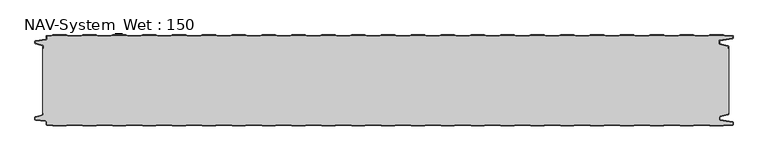
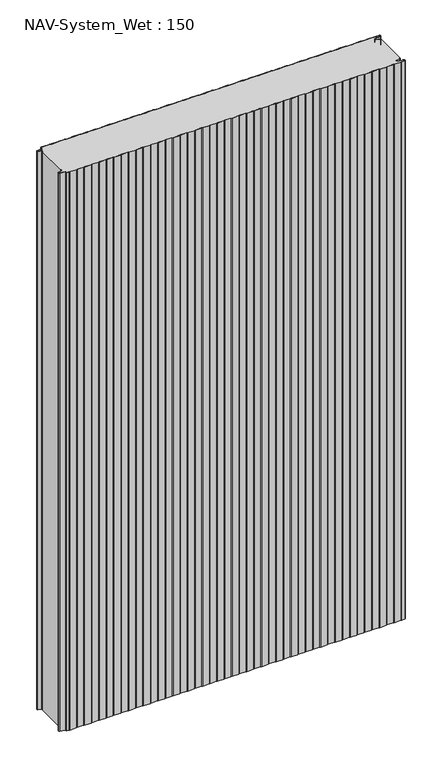
"""IFC4 building model written with IfcOpenShell, lengths in millimetres: plate geometry, NAV-System_Wet : 150."""

import ifcopenshell
import ifcopenshell.guid

model = None  # the IFC model being written
_history = None  # IfcOwnerHistory: only IFC2X3 demands one
_inside = {}  # id of a spatial element -> (the spatial element, [elements in it])
_under = {}  # id of a project, library or spatial element -> (it, [spatial elements below it])
_declared = {}  # id of a project -> (the project, [libraries it declares])
_typed = {}  # id of a type object -> (the type object, [elements of that type])
_made_of = {}  # id of a material, layer set ... -> (it, [elements and type objects made of it])


def new_model(schema):
    """Start an empty IFC model of exactly this schema.

    Asked for "IFC4X3", IfcOpenShell would pick the latest addendum, in which some entities
    have other attributes; the version numbers below select the first issue.
    IFC2X3 requires an IfcOwnerHistory on every rooted entity: one is made here for all.
    """
    global model, _history
    if schema == "IFC4X3":
        model = ifcopenshell.file(schema_version=(4, 3, 0, 0))
    else:
        model = ifcopenshell.file(schema=schema)
    _inside.clear()
    _under.clear()
    _declared.clear()
    _typed.clear()
    _made_of.clear()
    _history = None
    if model.schema == "IFC2X3":
        org = make("IfcOrganization", Name="unknown")
        user = make(
            "IfcPersonAndOrganization",
            ThePerson=make("IfcPerson", FamilyName="unknown"),
            TheOrganization=org,
        )
        app = make(
            "IfcApplication",
            ApplicationDeveloper=org,
            Version="unknown",
            ApplicationFullName="unknown",
            ApplicationIdentifier="unknown",
        )
        _history = make(
            "IfcOwnerHistory",
            OwningUser=user,
            OwningApplication=app,
            ChangeAction="ADDED",
            CreationDate=0,
        )
    return model


def make(cls, **values):
    """One entity of the class cls with the attributes given. An attribute that is None is left unset."""
    return model.create_entity(
        cls, **{name: value for name, value in values.items() if value is not None}
    )


def rooted(cls, **values):
    """An entity with a GlobalId (a new one), such as an element, a storey or a relation."""
    return make(cls, GlobalId=ifcopenshell.guid.new(), OwnerHistory=_history, **values)


def si_unit(unit_type, name, prefix=None):
    """IfcSIUnit, for example si_unit("LENGTHUNIT", "METRE", prefix="MILLI")."""
    return make("IfcSIUnit", UnitType=unit_type, Prefix=prefix, Name=name)


def assignment(units):
    """IfcUnitAssignment: the units of a project."""
    return None if units is None else make("IfcUnitAssignment", Units=units)


def point(xyz):
    """IfcCartesianPoint."""
    return None if xyz is None else make("IfcCartesianPoint", Coordinates=xyz)


def direction(xyz):
    """IfcDirection."""
    return None if xyz is None else make("IfcDirection", DirectionRatios=xyz)


def frame(location, z_axis=None, x_axis=None):
    """IfcAxis2Placement3D, a coordinate frame: its origin and axes. An axis left out is left unset."""
    return make(
        "IfcAxis2Placement3D",
        Location=point(location),
        Axis=direction(z_axis),
        RefDirection=direction(x_axis),
    )


def frame_2d(location, x_axis=None):
    """IfcAxis2Placement2D, a coordinate frame in the plane: its origin and x axis."""
    return make(
        "IfcAxis2Placement2D", Location=point(location), RefDirection=direction(x_axis)
    )


def origin():
    """The frame at (0, 0, 0) with its axes left unset."""
    return frame((0.0, 0.0, 0.0))


def origin_with_axes():
    """The frame at (0, 0, 0) with the z axis (0, 0, 1) and the x axis (1, 0, 0) written out."""
    return frame((0.0, 0.0, 0.0), z_axis=(0.0, 0.0, 1.0), x_axis=(1.0, 0.0, 0.0))


def place(relative_to, where):
    """IfcLocalPlacement: puts the frame where relative to a parent placement (None: the world)."""
    return make(
        "IfcLocalPlacement", PlacementRelTo=relative_to, RelativePlacement=where
    )


def context(
    kind, dimensions, precision=None, world=None, true_north=None, identifier=None
):
    """IfcGeometricRepresentationContext, for example the 3D "Model" context."""
    return make(
        "IfcGeometricRepresentationContext",
        ContextIdentifier=identifier,
        ContextType=kind,
        CoordinateSpaceDimension=dimensions,
        Precision=precision,
        WorldCoordinateSystem=world,
        TrueNorth=true_north,
    )


def project(units=None, contexts=None):
    """IfcProject with its units and contexts."""
    return rooted(
        "IfcProject",
        Name="project",
        RepresentationContexts=contexts,
        UnitsInContext=assignment(units),
    )


def spatial(cls, under=None, at=None, **own):
    """A site, building, storey or space (cls), placed at a placement, below another one or the project."""
    s = rooted(cls, ObjectPlacement=at, **own)
    if under is not None:
        _under.setdefault(under.id(), (under, []))[1].append(s)
    return s


def polyline(points):
    """IfcPolyline through the points."""
    return make("IfcPolyline", Points=[point(p) for p in points])


def circle_curve(where, radius):
    """IfcCircle in the frame where."""
    return make("IfcCircle", Position=where, Radius=radius)


def trimmed(basis, trim1, trim2, sense, master):
    """IfcTrimmedCurve: the piece of a basis curve between two trims."""
    return make(
        "IfcTrimmedCurve",
        BasisCurve=basis,
        Trim1=trim1,
        Trim2=trim2,
        SenseAgreement=sense,
        MasterRepresentation=master,
    )


def segment(curve, same_sense, transition):
    """IfcCompositeCurveSegment."""
    return make(
        "IfcCompositeCurveSegment",
        Transition=transition,
        SameSense=same_sense,
        ParentCurve=curve,
    )


def composite_curve(segments, self_intersect=None):
    """IfcCompositeCurve: segments joined end to end."""
    return make("IfcCompositeCurve", Segments=segments, SelfIntersect=self_intersect)


def outline(outer, holes=None, kind="AREA"):
    """IfcArbitraryClosedProfileDef: a profile drawn as a closed curve; with holes, ...WithVoids."""
    if holes is None:
        return make("IfcArbitraryClosedProfileDef", ProfileType=kind, OuterCurve=outer)
    return make(
        "IfcArbitraryProfileDefWithVoids",
        ProfileType=kind,
        OuterCurve=outer,
        InnerCurves=holes,
    )


def extrude(swept, where, along, depth):
    """IfcExtrudedAreaSolid: the profile swept, set in the frame where, extruded along a direction by depth."""
    return make(
        "IfcExtrudedAreaSolid",
        SweptArea=swept,
        Position=where,
        ExtrudedDirection=direction(along),
        Depth=depth,
    )


def shape(context_of_items, identifier, shape_type, items):
    """IfcShapeRepresentation: the items that make up one representation, for example the "Body"."""
    return make(
        "IfcShapeRepresentation",
        ContextOfItems=context_of_items,
        RepresentationIdentifier=identifier,
        RepresentationType=shape_type,
        Items=items,
    )


def source(mapping_origin, context_of_items, identifier, shape_type, items):
    """IfcRepresentationMap: a shape defined once, which mapped items show again and again."""
    return make(
        "IfcRepresentationMap",
        MappingOrigin=mapping_origin,
        MappedRepresentation=shape(context_of_items, identifier, shape_type, items),
    )


def transform(
    local_origin,
    x_axis=None,
    y_axis=None,
    z_axis=None,
    scale=None,
    scale2=None,
    scale3=None,
    uniform=True,
):
    """IfcCartesianTransformationOperator3D, or its non-uniform kind. x_axis, y_axis, z_axis: its Axis1, 2, 3."""
    if uniform:
        return make(
            "IfcCartesianTransformationOperator3D",
            Axis1=direction(x_axis),
            Axis2=direction(y_axis),
            LocalOrigin=point(local_origin),
            Scale=scale,
            Axis3=direction(z_axis),
        )
    return make(
        "IfcCartesianTransformationOperator3DnonUniform",
        Axis1=direction(x_axis),
        Axis2=direction(y_axis),
        LocalOrigin=point(local_origin),
        Scale=scale,
        Axis3=direction(z_axis),
        Scale2=scale2,
        Scale3=scale3,
    )


def mapped(mapping_source, mapping_target):
    """IfcMappedItem: shows the shape of a source again, moved by a transform."""
    return make(
        "IfcMappedItem", MappingSource=mapping_source, MappingTarget=mapping_target
    )


def made_of(thing, what):
    """Note that an element or type object is made of a material, layer set ...; save() writes the relation."""
    if what is not None:
        _made_of.setdefault(what.id(), (what, []))[1].append(thing)
    return thing


def element(
    cls,
    number,
    at=None,
    inside=None,
    cuts=None,
    type_object=None,
    material=None,
    context=None,
    identifier="Body",
    shape_type=None,
    held_by="IfcProductDefinitionShape",
    body=None,
    shapes=None,
    **own,
):
    """One element of the class cls, such as IfcWall. Its Tag is "e" and its number.

    at: its placement. inside: the storey or other place that contains it. cuts: it is an
    opening in that element (IfcRelVoidsElement). A single representation is given by context,
    identifier, shape_type and body (its items); several are given by shapes. held_by: the class
    of the entity that holds the representations. save() writes the other relations.
    """
    e = rooted(cls, Tag="e%d" % number, ObjectPlacement=at, **own)
    if body is not None:
        shapes = [shape(context, identifier, shape_type, body)]
    if shapes is not None:
        e.Representation = make(held_by, Representations=shapes)
    if inside is not None:
        _inside.setdefault(inside.id(), (inside, []))[1].append(e)
    if cuts is not None:
        rooted(
            "IfcRelVoidsElement", RelatingBuildingElement=cuts, RelatedOpeningElement=e
        )
    if type_object is not None:
        _typed.setdefault(type_object.id(), (type_object, []))[1].append(e)
    return made_of(e, material)


def aggregate(whole, parts):
    """IfcRelAggregates: a whole, such as a stair, and the parts it consists of."""
    return rooted("IfcRelAggregates", RelatingObject=whole, RelatedObjects=parts)


def save(model, path):
    """Write the relations noted so far, then the file.

    IfcRelAggregates (storeys below a building ...), IfcRelContainedInSpatialStructure (elements
    in a storey), IfcRelDefinesByType, IfcRelAssociatesMaterial and IfcRelDeclares: one each for
    every whole, place, type object, material and project.
    """
    for whole, parts in _under.values():
        aggregate(whole, parts)
    for where, things in _inside.values():
        rooted(
            "IfcRelContainedInSpatialStructure",
            RelatedElements=things,
            RelatingStructure=where,
        )
    for kind, things in _typed.values():
        rooted("IfcRelDefinesByType", RelatedObjects=things, RelatingType=kind)
    for what, things in _made_of.values():
        rooted("IfcRelAssociatesMaterial", RelatedObjects=things, RelatingMaterial=what)
    for by, libraries in _declared.values():
        rooted("IfcRelDeclares", RelatingContext=by, RelatedDefinitions=libraries)
    model.write(path)


def nav_system_wet_150_94b7c274(model_context):
    return source(origin(), model_context, "Body", "SweptSolid", [
        extrude(outline(composite_curve([segment(polyline([(430.3684327, -0.8), (427.3684327, 0.2), (405.3684327, 0.2), (402.3684327, -0.8), (380.3684327, -0.8), (377.3684327, 0.2), (355.3684327, 0.2), (352.3684327, -0.8), (330.3684327, -0.8), (327.3684327, 0.2), (305.3684327, 0.2), (302.3684327, -0.8), (280.3684327, -0.8), (277.3684327, 0.2), (255.3684327, 0.2), (252.3684327, -0.8), (230.3684327, -0.8), (227.3684327, 0.2), (205.3684327, 0.2), (202.3684327, -0.8), (180.3684327, -0.8), (177.3684327, 0.2), (155.3684327, 0.2), (152.3684327, -0.8), (130.3684327, -0.8), (127.3684327, 0.2), (105.3684327, 0.2), (102.3684327, -0.8), (80.3684327, -0.8), (77.3684327, 0.2), (55.3684327, 0.2), (52.3684327, -0.8), (30.3684327, -0.8), (27.3684327, 0.2), (5.3684327, 0.2), (2.3684327, -0.8), (-19.6315673, -0.8), (-22.6315673, 0.2), (-44.6315673, 0.2), (-47.6315673, -0.8), (-69.6315673, -0.8), (-72.6315673, 0.2), (-94.6315673, 0.2), (-97.6315673, -0.8), (-119.6315673, -0.8), (-122.6315673, 0.2), (-144.6315673, 0.2), (-147.6315673, -0.8), (-169.6315673, -0.8), (-172.6315673, 0.2), (-194.6315673, 0.2), (-197.6315673, -0.8), (-219.6315673, -0.8), (-222.6315673, 0.2), (-244.6315673, 0.2), (-247.6315673, -0.8), (-269.6315673, -0.8), (-272.6315673, 0.2), (-294.6315673, 0.2), (-297.6315673, -0.8), (-319.6315673, -0.8), (-322.6315673, 0.2), (-344.6315673, 0.2), (-347.6315673, -0.8), (-369.6315673, -0.8), (-372.6315673, 0.2), (-394.6315673, 0.2), (-397.6315673, -0.8), (-419.6315673, -0.8), (-422.6315673, 0.2), (-444.6315673, 0.2), (-447.6315673, -0.8), (-469.6315673, -0.8), (-472.6315673, 0.2), (-494.6315673, 0.2), (-497.6315673, -0.8), (-519.6315673, -0.8), (-522.6315673, 0.2), (-544.6315673, 0.2), (-547.6315673, -0.8), (-554.7, -0.8)]), True, "CONTINUOUS"), segment(trimmed(circle_curve(frame_2d((-554.7, -1.3)), 0.5), [point((-554.7, -0.8))], [point((-555.2, -1.3))], True, "CARTESIAN"), True, "CONTINUOUS"), segment(polyline([(-555.2, -1.3), (-555.2, -5.3964683)]), True, "CONTINUOUS"), segment(trimmed(circle_curve(frame_2d((-556.7, -5.3964683)), 1.5), [point((-555.2, -5.3964683))], [point((-556.4911207, -6.8818536))], False, "CARTESIAN"), True, "CONTINUOUS"), segment(polyline([(-556.4911207, -6.8818536), (-573.4352183, -9.2645825)]), True, "CONTINUOUS"), segment(trimmed(circle_curve(frame_2d((-573.3114909, -10.1444347)), 0.8885091), [point((-573.4352183, -9.2645825))], [point((-574.2, -10.1444347))], True, "CARTESIAN"), True, "CONTINUOUS"), segment(polyline([(-574.2, -10.1444347), (-574.2, -12.46995)]), True, "CONTINUOUS"), segment(trimmed(circle_curve(frame_2d((-573.6, -12.46995)), 0.6), [point((-574.2, -12.46995))], [point((-573.7552914, -13.0495055))], True, "CARTESIAN"), True, "CONTINUOUS"), segment(polyline([(-573.7552914, -13.0495055), (-562.3785632, -16.0978907)]), True, "CONTINUOUS"), segment(trimmed(circle_curve(frame_2d((-562.7667917, -17.5467794)), 1.5), [point((-562.3785632, -16.0978907))], [point((-561.2667917, -17.5467794))], False, "CARTESIAN"), True, "CONTINUOUS"), segment(polyline([(-561.2667917, -17.5467794), (-561.2667917, -21.0096505), (-562.0667917, -21.0096505), (-562.0667917, -17.5467794)]), True, "CONTINUOUS"), segment(trimmed(circle_curve(frame_2d((-562.7667917, -17.5467794)), 0.7), [point((-562.0667917, -17.5467794))], [point((-562.5856184, -16.8706313))], True, "CARTESIAN"), True, "CONTINUOUS"), segment(polyline([(-562.5856184, -16.8706313), (-574.0364648, -13.8023863)]), True, "CONTINUOUS"), segment(trimmed(circle_curve(frame_2d((-573.7, -12.5466827)), 1.3), [point((-574.0364648, -13.8023863))], [point((-575.0, -12.5466827))], False, "CARTESIAN"), True, "CONTINUOUS"), segment(polyline([(-575.0, -12.5466827), (-575.0, -9.8067363)]), True, "CONTINUOUS"), segment(trimmed(circle_curve(frame_2d((-573.7, -9.8067363)), 1.3), [point((-575.0, -9.8067363))], [point((-573.8810287, -8.5194024))], False, "CARTESIAN"), True, "CONTINUOUS"), segment(polyline([(-573.8810287, -8.5194024), (-556.602523, -6.0896481)]), True, "CONTINUOUS"), segment(trimmed(circle_curve(frame_2d((-556.7, -5.3964683)), 0.7), [point((-556.602523, -6.0896481))], [point((-556.0, -5.3964683))], True, "CARTESIAN"), True, "CONTINUOUS"), segment(polyline([(-556.0, -5.3964683), (-556.0, -1.3)]), True, "CONTINUOUS"), segment(trimmed(circle_curve(frame_2d((-554.7, -1.3)), 1.3), [point((-556.0, -1.3))], [point((-554.7, 0.0))], False, "CARTESIAN"), True, "CONTINUOUS"), segment(polyline([(-554.7, 0.0), (-547.7613895, 0.0), (-544.7613895, 1.0), (-522.5017452, 1.0), (-519.5017452, 0.0), (-497.7613895, 0.0), (-494.7613895, 1.0), (-472.5017452, 1.0), (-469.5017452, 0.0), (-447.7613895, 0.0), (-444.7613895, 1.0), (-422.5017452, 1.0), (-419.5017452, 0.0), (-397.7613895, 0.0), (-394.7613895, 1.0), (-372.5017452, 1.0), (-369.5017452, 0.0), (-347.7613895, 0.0), (-344.7613895, 1.0), (-322.5017452, 1.0), (-319.5017452, 0.0), (-297.7613895, 0.0), (-294.7613895, 1.0), (-272.5017452, 1.0), (-269.5017452, 0.0), (-247.7613895, 0.0), (-244.7613895, 1.0), (-222.5017452, 1.0), (-219.5017452, 0.0), (-197.7613895, 0.0), (-194.7613895, 1.0), (-172.5017452, 1.0), (-169.5017452, 0.0), (-147.7613895, 0.0), (-144.7613895, 1.0), (-122.5017452, 1.0), (-119.5017452, 0.0), (-97.7613895, 0.0), (-94.7613895, 1.0), (-72.5017452, 1.0), (-69.5017452, 0.0), (-47.7613895, 0.0), (-44.7613895, 1.0), (-22.5017452, 1.0), (-19.5017452, 0.0), (2.2386105, 0.0), (5.2386105, 1.0), (27.4982548, 1.0), (30.4982548, 0.0), (52.2386105, 0.0), (55.2386105, 1.0), (77.4982548, 1.0), (80.4982548, 0.0), (102.2386105, 0.0), (105.2386105, 1.0), (127.4982548, 1.0), (130.4982548, 0.0), (152.2386105, 0.0), (155.2386105, 1.0), (177.4982548, 1.0), (180.4982548, 0.0), (202.2386105, 0.0), (205.2386105, 1.0), (227.4982548, 1.0), (230.4982548, 0.0), (252.2386105, 0.0), (255.2386105, 1.0), (277.4982548, 1.0), (280.4982548, 0.0), (302.2386105, 0.0), (305.2386105, 1.0), (327.4982548, 1.0), (330.4982548, 0.0), (352.2386105, 0.0), (355.2386105, 1.0), (377.4982548, 1.0), (380.4982548, 0.0), (402.2386105, 0.0), (405.2386105, 1.0), (427.4982548, 1.0), (430.4982548, 0.0), (452.2386105, 0.0), (455.2386105, 1.0), (477.4982548, 1.0), (480.4982548, 0.0), (502.2386105, 0.0), (505.2386105, 1.0), (527.4982548, 1.0), (530.4982548, 0.0), (552.2386105, 0.0), (555.2386105, 1.0), (577.4982548, 1.0), (580.4982548, 0.0), (592.7, 0.0)]), True, "CONTINUOUS"), segment(trimmed(circle_curve(frame_2d((592.7, -1.3)), 1.3), [point((592.7, 0.0))], [point((594.0, -1.3))], False, "CARTESIAN"), True, "CONTINUOUS"), segment(polyline([(594.0, -1.3), (594.0, -4.3700191)]), True, "CONTINUOUS"), segment(trimmed(circle_curve(frame_2d((592.7, -4.3700191)), 1.3), [point((594.0, -4.3700191))], [point((592.8810287, -5.657353))], False, "CARTESIAN"), True, "CONTINUOUS"), segment(polyline([(592.8810287, -5.657353), (572.102523, -8.5792877)]), True, "CONTINUOUS"), segment(trimmed(circle_curve(frame_2d((572.2, -9.2724675)), 0.7), [point((572.102523, -8.5792877))], [point((571.5, -9.2724675))], True, "CARTESIAN"), True, "CONTINUOUS"), segment(polyline([(571.5, -9.2724675), (571.5, -13.0812756)]), True, "CONTINUOUS"), segment(trimmed(circle_curve(frame_2d((572.2, -13.0812756)), 0.7), [point((571.5, -13.0812756))], [point((572.0188267, -13.7574237))], True, "CARTESIAN"), True, "CONTINUOUS"), segment(polyline([(572.0188267, -13.7574237), (585.4205101, -17.3483939)]), True, "CONTINUOUS"), segment(trimmed(circle_curve(frame_2d((585.0840453, -18.6040975)), 1.3), [point((585.4205101, -17.3483939))], [point((586.3840453, -18.6040975))], False, "CARTESIAN"), True, "CONTINUOUS"), segment(polyline([(586.3840453, -18.6040975), (586.3840453, -21.0096505), (585.5840453, -21.0096505), (585.5840453, -18.6808302)]), True, "CONTINUOUS"), segment(trimmed(circle_curve(frame_2d((584.9840453, -18.6808302)), 0.6), [point((585.5840453, -18.6808302))], [point((585.1393367, -18.1012747))], True, "CARTESIAN"), True, "CONTINUOUS"), segment(polyline([(585.1393367, -18.1012747), (571.8117714, -14.5301644)]), True, "CONTINUOUS"), segment(trimmed(circle_curve(frame_2d((572.2, -13.0812756)), 1.5), [point((571.8117714, -14.5301644))], [point((570.7, -13.0812756))], False, "CARTESIAN"), True, "CONTINUOUS"), segment(polyline([(570.7, -13.0812756), (570.7, -9.2724675)]), True, "CONTINUOUS"), segment(trimmed(circle_curve(frame_2d((572.2, -9.2724675)), 1.5), [point((570.7, -9.2724675))], [point((571.9911207, -7.7870822))], False, "CARTESIAN"), True, "CONTINUOUS"), segment(polyline([(571.9911207, -7.7870822), (592.6835517, -4.8772516)]), True, "CONTINUOUS"), segment(trimmed(circle_curve(frame_2d((592.6, -4.2830975)), 0.6), [point((592.6835517, -4.8772516))], [point((593.2, -4.2830975))], True, "CARTESIAN"), True, "CONTINUOUS"), segment(polyline([(593.2, -4.2830975), (593.2, -1.3)]), True, "CONTINUOUS"), segment(trimmed(circle_curve(frame_2d((592.7, -1.3)), 0.5), [point((593.2, -1.3))], [point((592.7, -0.8))], True, "CARTESIAN"), True, "CONTINUOUS"), segment(polyline([(592.7, -0.8), (580.3684327, -0.8), (577.3684327, 0.2), (555.3684327, 0.2), (552.3684327, -0.8), (530.3684327, -0.8), (527.3684327, 0.2), (505.3684327, 0.2), (502.3684327, -0.8), (480.3684327, -0.8), (477.3684327, 0.2), (455.3684327, 0.2), (452.3684327, -0.8), (430.3684327, -0.8)]), True, "CONTINUOUS")], self_intersect=False)), origin_with_axes(), (0.0, 0.0, 1.0), 2000.0),
        extrude(outline(composite_curve([segment(polyline([(430.3684327, -0.8), (452.3684327, -0.8), (455.3684327, 0.2), (477.3684327, 0.2), (480.3684327, -0.8), (502.3684327, -0.8), (505.3684327, 0.2), (527.3684327, 0.2), (530.3684327, -0.8), (552.3684327, -0.8), (555.3684327, 0.2), (577.3684327, 0.2), (580.3684327, -0.8), (592.7, -0.8)]), True, "CONTINUOUS"), segment(trimmed(circle_curve(frame_2d((592.7, -1.3)), 0.5), [point((592.7, -0.8))], [point((593.2, -1.3))], False, "CARTESIAN"), True, "CONTINUOUS"), segment(polyline([(593.2, -1.3), (593.2, -4.2830975)]), True, "CONTINUOUS"), segment(trimmed(circle_curve(frame_2d((592.6, -4.2830975)), 0.6), [point((593.2, -4.2830975))], [point((592.6835517, -4.8772516))], False, "CARTESIAN"), True, "CONTINUOUS"), segment(polyline([(592.6835517, -4.8772516), (571.9911207, -7.7870822)]), True, "CONTINUOUS"), segment(trimmed(circle_curve(frame_2d((572.2, -9.2724675)), 1.5), [point((571.9911207, -7.7870822))], [point((570.7, -9.2724675))], True, "CARTESIAN"), True, "CONTINUOUS"), segment(polyline([(570.7, -9.2724675), (570.7, -13.0812756)]), True, "CONTINUOUS"), segment(trimmed(circle_curve(frame_2d((572.2, -13.0812756)), 1.5), [point((570.7, -13.0812756))], [point((571.8117714, -14.5301644))], True, "CARTESIAN"), True, "CONTINUOUS"), segment(polyline([(571.8117714, -14.5301644), (585.1393367, -18.1012747)]), True, "CONTINUOUS"), segment(trimmed(circle_curve(frame_2d((584.9840453, -18.6808302)), 0.6), [point((585.1393367, -18.1012747))], [point((585.5840453, -18.6808302))], False, "CARTESIAN"), True, "CONTINUOUS"), segment(polyline([(585.5840453, -18.6808302), (585.5840453, -21.0096505), (586.3840453, -21.0096505), (586.3840453, -128.9903495), (585.5840453, -128.9903495), (585.5840453, -131.3191698)]), True, "CONTINUOUS"), segment(trimmed(circle_curve(frame_2d((584.9840453, -131.3191698)), 0.6), [point((585.5840453, -131.3191698))], [point((585.1393367, -131.8987253))], False, "CARTESIAN"), True, "CONTINUOUS"), segment(polyline([(585.1393367, -131.8987253), (571.8117714, -135.4698356)]), True, "CONTINUOUS"), segment(trimmed(circle_curve(frame_2d((572.2, -136.9187244)), 1.5), [point((571.8117714, -135.4698356))], [point((570.7, -136.9187244))], True, "CARTESIAN"), True, "CONTINUOUS"), segment(polyline([(570.7, -136.9187244), (570.7, -140.7275325)]), True, "CONTINUOUS"), segment(trimmed(circle_curve(frame_2d((572.2, -140.7275325)), 1.5), [point((570.7, -140.7275325))], [point((571.9911207, -142.2129178))], True, "CARTESIAN"), True, "CONTINUOUS"), segment(polyline([(571.9911207, -142.2129178), (592.6835517, -145.1227484)]), True, "CONTINUOUS"), segment(trimmed(circle_curve(frame_2d((592.6, -145.7169025)), 0.6), [point((592.6835517, -145.1227484))], [point((593.2, -145.7169025))], False, "CARTESIAN"), True, "CONTINUOUS"), segment(polyline([(593.2, -145.7169025), (593.2, -148.7)]), True, "CONTINUOUS"), segment(trimmed(circle_curve(frame_2d((592.7, -148.7)), 0.5), [point((593.2, -148.7))], [point((592.7, -149.2))], False, "CARTESIAN"), True, "CONTINUOUS"), segment(polyline([(592.7, -149.2), (580.3684327, -149.2), (577.3684327, -150.2), (555.3684327, -150.2), (552.3684327, -149.2), (530.3684327, -149.2), (527.3684327, -150.2), (505.3684327, -150.2), (502.3684327, -149.2), (480.3684327, -149.2), (477.3684327, -150.2), (455.3684327, -150.2), (452.3684327, -149.2), (430.3684327, -149.2), (427.3684327, -150.2), (405.3684327, -150.2), (402.3684327, -149.2), (380.3684327, -149.2), (377.3684327, -150.2), (355.3684327, -150.2), (352.3684327, -149.2), (330.3684327, -149.2), (327.3684327, -150.2), (305.3684327, -150.2), (302.3684327, -149.2), (280.3684327, -149.2), (277.3684327, -150.2), (255.3684327, -150.2), (252.3684327, -149.2), (230.3684327, -149.2), (227.3684327, -150.2), (205.3684327, -150.2), (202.3684327, -149.2), (180.3684327, -149.2), (177.3684327, -150.2), (155.3684327, -150.2), (152.3684327, -149.2), (130.3684327, -149.2), (127.3684327, -150.2), (105.3684327, -150.2), (102.3684327, -149.2), (80.3684327, -149.2), (77.3684327, -150.2), (55.3684327, -150.2), (52.3684327, -149.2), (30.3684327, -149.2), (27.3684327, -150.2), (5.3684327, -150.2), (2.3684327, -149.2), (-19.6315673, -149.2), (-22.6315673, -150.2), (-44.6315673, -150.2), (-47.6315673, -149.2), (-69.6315673, -149.2), (-72.6315673, -150.2), (-94.6315673, -150.2), (-97.6315673, -149.2), (-119.6315673, -149.2), (-122.6315673, -150.2), (-144.6315673, -150.2), (-147.6315673, -149.2), (-169.6315673, -149.2), (-172.6315673, -150.2), (-194.6315673, -150.2), (-197.6315673, -149.2), (-219.6315673, -149.2), (-222.6315673, -150.2), (-244.6315673, -150.2), (-247.6315673, -149.2), (-269.6315673, -149.2), (-272.6315673, -150.2), (-294.6315673, -150.2), (-297.6315673, -149.2), (-319.6315673, -149.2), (-322.6315673, -150.2), (-344.6315673, -150.2), (-347.6315673, -149.2), (-369.6315673, -149.2), (-372.6315673, -150.2), (-394.6315673, -150.2), (-397.6315673, -149.2), (-419.6315673, -149.2), (-422.6315673, -150.2), (-444.6315673, -150.2), (-447.6315673, -149.2), (-469.6315673, -149.2), (-472.6315673, -150.2), (-494.6315673, -150.2), (-497.6315673, -149.2), (-519.6315673, -149.2), (-522.6315673, -150.2), (-544.6315673, -150.2), (-547.6315673, -149.2), (-554.7, -149.2)]), True, "CONTINUOUS"), segment(trimmed(circle_curve(frame_2d((-554.7, -148.7)), 0.5), [point((-554.7, -149.2))], [point((-555.2, -148.7))], False, "CARTESIAN"), True, "CONTINUOUS"), segment(polyline([(-555.2, -148.7), (-555.2, -144.6035317)]), True, "CONTINUOUS"), segment(trimmed(circle_curve(frame_2d((-556.7, -144.6035317)), 1.5), [point((-555.2, -144.6035317))], [point((-556.4911207, -143.1181464))], True, "CARTESIAN"), True, "CONTINUOUS"), segment(polyline([(-556.4911207, -143.1181464), (-573.4352183, -140.7354175)]), True, "CONTINUOUS"), segment(trimmed(circle_curve(frame_2d((-573.3114909, -139.8555653)), 0.8885091), [point((-573.4352183, -140.7354175))], [point((-574.2, -139.8555653))], False, "CARTESIAN"), True, "CONTINUOUS"), segment(polyline([(-574.2, -139.8555653), (-574.2, -137.53005)]), True, "CONTINUOUS"), segment(trimmed(circle_curve(frame_2d((-573.6, -137.53005)), 0.6), [point((-574.2, -137.53005))], [point((-573.7552914, -136.9504945))], False, "CARTESIAN"), True, "CONTINUOUS"), segment(polyline([(-573.7552914, -136.9504945), (-562.3785632, -133.9021093)]), True, "CONTINUOUS"), segment(trimmed(circle_curve(frame_2d((-562.7667917, -132.4532206)), 1.5), [point((-562.3785632, -133.9021093))], [point((-561.2667917, -132.4532206))], True, "CARTESIAN"), True, "CONTINUOUS"), segment(polyline([(-561.2667917, -132.4532206), (-561.2667917, -128.9903495), (-562.0667917, -128.9903495), (-562.0667917, -21.0096505), (-561.2667917, -21.0096505), (-561.2667917, -17.5467794)]), True, "CONTINUOUS"), segment(trimmed(circle_curve(frame_2d((-562.7667917, -17.5467794)), 1.5), [point((-561.2667917, -17.5467794))], [point((-562.3785632, -16.0978907))], True, "CARTESIAN"), True, "CONTINUOUS"), segment(polyline([(-562.3785632, -16.0978907), (-573.7552914, -13.0495055)]), True, "CONTINUOUS"), segment(trimmed(circle_curve(frame_2d((-573.6, -12.46995)), 0.6), [point((-573.7552914, -13.0495055))], [point((-574.2, -12.46995))], False, "CARTESIAN"), True, "CONTINUOUS"), segment(polyline([(-574.2, -12.46995), (-574.2, -10.1444347)]), True, "CONTINUOUS"), segment(trimmed(circle_curve(frame_2d((-573.3114909, -10.1444347)), 0.8885091), [point((-574.2, -10.1444347))], [point((-573.4352183, -9.2645825))], False, "CARTESIAN"), True, "CONTINUOUS"), segment(polyline([(-573.4352183, -9.2645825), (-556.4911207, -6.8818536)]), True, "CONTINUOUS"), segment(trimmed(circle_curve(frame_2d((-556.7, -5.3964683)), 1.5), [point((-556.4911207, -6.8818536))], [point((-555.2, -5.3964683))], True, "CARTESIAN"), True, "CONTINUOUS"), segment(polyline([(-555.2, -5.3964683), (-555.2, -1.3)]), True, "CONTINUOUS"), segment(trimmed(circle_curve(frame_2d((-554.7, -1.3)), 0.5), [point((-555.2, -1.3))], [point((-554.7, -0.8))], False, "CARTESIAN"), True, "CONTINUOUS"), segment(polyline([(-554.7, -0.8), (-547.6315673, -0.8), (-544.6315673, 0.2), (-522.6315673, 0.2), (-519.6315673, -0.8), (-497.6315673, -0.8), (-494.6315673, 0.2), (-472.6315673, 0.2), (-469.6315673, -0.8), (-447.6315673, -0.8), (-444.6315673, 0.2), (-422.6315673, 0.2), (-419.6315673, -0.8), (-397.6315673, -0.8), (-394.6315673, 0.2), (-372.6315673, 0.2), (-369.6315673, -0.8), (-347.6315673, -0.8), (-344.6315673, 0.2), (-322.6315673, 0.2), (-319.6315673, -0.8), (-297.6315673, -0.8), (-294.6315673, 0.2), (-272.6315673, 0.2), (-269.6315673, -0.8), (-247.6315673, -0.8), (-244.6315673, 0.2), (-222.6315673, 0.2), (-219.6315673, -0.8), (-197.6315673, -0.8), (-194.6315673, 0.2), (-172.6315673, 0.2), (-169.6315673, -0.8), (-147.6315673, -0.8), (-144.6315673, 0.2), (-122.6315673, 0.2), (-119.6315673, -0.8), (-97.6315673, -0.8), (-94.6315673, 0.2), (-72.6315673, 0.2), (-69.6315673, -0.8), (-47.6315673, -0.8), (-44.6315673, 0.2), (-22.6315673, 0.2), (-19.6315673, -0.8), (2.3684327, -0.8), (5.3684327, 0.2), (27.3684327, 0.2), (30.3684327, -0.8), (52.3684327, -0.8), (55.3684327, 0.2), (77.3684327, 0.2), (80.3684327, -0.8), (102.3684327, -0.8), (105.3684327, 0.2), (127.3684327, 0.2), (130.3684327, -0.8), (152.3684327, -0.8), (155.3684327, 0.2), (177.3684327, 0.2), (180.3684327, -0.8), (202.3684327, -0.8), (205.3684327, 0.2), (227.3684327, 0.2), (230.3684327, -0.8), (252.3684327, -0.8), (255.3684327, 0.2), (277.3684327, 0.2), (280.3684327, -0.8), (302.3684327, -0.8), (305.3684327, 0.2), (327.3684327, 0.2), (330.3684327, -0.8), (352.3684327, -0.8), (355.3684327, 0.2), (377.3684327, 0.2), (380.3684327, -0.8), (402.3684327, -0.8), (405.3684327, 0.2), (427.3684327, 0.2), (430.3684327, -0.8)]), True, "CONTINUOUS")], self_intersect=False)), origin_with_axes(), (0.0, 0.0, 1.0), 2000.0),
        extrude(outline(composite_curve([segment(polyline([(430.3684327, -149.2), (452.3684327, -149.2), (455.3684327, -150.2), (477.3684327, -150.2), (480.3684327, -149.2), (502.3684327, -149.2), (505.3684327, -150.2), (527.3684327, -150.2), (530.3684327, -149.2), (552.3684327, -149.2), (555.3684327, -150.2), (577.3684327, -150.2), (580.3684327, -149.2), (592.7, -149.2)]), True, "CONTINUOUS"), segment(trimmed(circle_curve(frame_2d((592.7, -148.7)), 0.5), [point((592.7, -149.2))], [point((593.2, -148.7))], True, "CARTESIAN"), True, "CONTINUOUS"), segment(polyline([(593.2, -148.7), (593.2, -145.7169025)]), True, "CONTINUOUS"), segment(trimmed(circle_curve(frame_2d((592.6, -145.7169025)), 0.6), [point((593.2, -145.7169025))], [point((592.6835517, -145.1227484))], True, "CARTESIAN"), True, "CONTINUOUS"), segment(polyline([(592.6835517, -145.1227484), (571.9911207, -142.2129178)]), True, "CONTINUOUS"), segment(trimmed(circle_curve(frame_2d((572.2, -140.7275325)), 1.5), [point((571.9911207, -142.2129178))], [point((570.7, -140.7275325))], False, "CARTESIAN"), True, "CONTINUOUS"), segment(polyline([(570.7, -140.7275325), (570.7, -136.9187244)]), True, "CONTINUOUS"), segment(trimmed(circle_curve(frame_2d((572.2, -136.9187244)), 1.5), [point((570.7, -136.9187244))], [point((571.8117714, -135.4698356))], False, "CARTESIAN"), True, "CONTINUOUS"), segment(polyline([(571.8117714, -135.4698356), (585.1393367, -131.8987253)]), True, "CONTINUOUS"), segment(trimmed(circle_curve(frame_2d((584.9840453, -131.3191698)), 0.6), [point((585.1393367, -131.8987253))], [point((585.5840453, -131.3191698))], True, "CARTESIAN"), True, "CONTINUOUS"), segment(polyline([(585.5840453, -131.3191698), (585.5840453, -128.9903495), (586.3840453, -128.9903495), (586.3840453, -131.3959025)]), True, "CONTINUOUS"), segment(trimmed(circle_curve(frame_2d((585.0840453, -131.3959025)), 1.3), [point((586.3840453, -131.3959025))], [point((585.4205101, -132.6516061))], False, "CARTESIAN"), True, "CONTINUOUS"), segment(polyline([(585.4205101, -132.6516061), (572.0188267, -136.2425763)]), True, "CONTINUOUS"), segment(trimmed(circle_curve(frame_2d((572.2, -136.9187244)), 0.7), [point((572.0188267, -136.2425763))], [point((571.5, -136.9187244))], True, "CARTESIAN"), True, "CONTINUOUS"), segment(polyline([(571.5, -136.9187244), (571.5, -140.7275325)]), True, "CONTINUOUS"), segment(trimmed(circle_curve(frame_2d((572.2, -140.7275325)), 0.7), [point((571.5, -140.7275325))], [point((572.102523, -141.4207123))], True, "CARTESIAN"), True, "CONTINUOUS"), segment(polyline([(572.102523, -141.4207123), (592.8810287, -144.342647)]), True, "CONTINUOUS"), segment(trimmed(circle_curve(frame_2d((592.7, -145.6299809)), 1.3), [point((592.8810287, -144.342647))], [point((594.0, -145.6299809))], False, "CARTESIAN"), True, "CONTINUOUS"), segment(polyline([(594.0, -145.6299809), (594.0, -148.7)]), True, "CONTINUOUS"), segment(trimmed(circle_curve(frame_2d((592.7, -148.7)), 1.3), [point((594.0, -148.7))], [point((592.7, -150.0))], False, "CARTESIAN"), True, "CONTINUOUS"), segment(polyline([(592.7, -150.0), (580.4982548, -150.0), (577.4982548, -151.0), (555.2386105, -151.0), (552.2386105, -150.0), (530.4982548, -150.0), (527.4982548, -151.0), (505.2386105, -151.0), (502.2386105, -150.0), (480.4982548, -150.0), (477.4982548, -151.0), (455.2386105, -151.0), (452.2386105, -150.0), (430.4982548, -150.0), (427.4982548, -151.0), (405.2386105, -151.0), (402.2386105, -150.0), (380.4982548, -150.0), (377.4982548, -151.0), (355.2386105, -151.0), (352.2386105, -150.0), (330.4982548, -150.0), (327.4982548, -151.0), (305.2386105, -151.0), (302.2386105, -150.0), (280.4982548, -150.0), (277.4982548, -151.0), (255.2386105, -151.0), (252.2386105, -150.0), (230.4982548, -150.0), (227.4982548, -151.0), (205.2386105, -151.0), (202.2386105, -150.0), (180.4982548, -150.0), (177.4982548, -151.0), (155.2386105, -151.0), (152.2386105, -150.0), (130.4982548, -150.0), (127.4982548, -151.0), (105.2386105, -151.0), (102.2386105, -150.0), (80.4982548, -150.0), (77.4982548, -151.0), (55.2386105, -151.0), (52.2386105, -150.0), (30.4982548, -150.0), (27.4982548, -151.0), (5.2386105, -151.0), (2.2386105, -150.0), (-19.5017452, -150.0), (-22.5017452, -151.0), (-44.7613895, -151.0), (-47.7613895, -150.0), (-69.5017452, -150.0), (-72.5017452, -151.0), (-94.7613895, -151.0), (-97.7613895, -150.0), (-119.5017452, -150.0), (-122.5017452, -151.0), (-144.7613895, -151.0), (-147.7613895, -150.0), (-169.5017452, -150.0), (-172.5017452, -151.0), (-194.7613895, -151.0), (-197.7613895, -150.0), (-219.5017452, -150.0), (-222.5017452, -151.0), (-244.7613895, -151.0), (-247.7613895, -150.0), (-269.5017452, -150.0), (-272.5017452, -151.0), (-294.7613895, -151.0), (-297.7613895, -150.0), (-319.5017452, -150.0), (-322.5017452, -151.0), (-344.7613895, -151.0), (-347.7613895, -150.0), (-369.5017452, -150.0), (-372.5017452, -151.0), (-394.7613895, -151.0), (-397.7613895, -150.0), (-419.5017452, -150.0), (-422.5017452, -151.0), (-444.7613895, -151.0), (-447.7613895, -150.0), (-469.5017452, -150.0), (-472.5017452, -151.0), (-494.7613895, -151.0), (-497.7613895, -150.0), (-519.5017452, -150.0), (-522.5017452, -151.0), (-544.7613895, -151.0), (-547.7613895, -150.0), (-554.7, -150.0)]), True, "CONTINUOUS"), segment(trimmed(circle_curve(frame_2d((-554.7, -148.7)), 1.3), [point((-554.7, -150.0))], [point((-556.0, -148.7))], False, "CARTESIAN"), True, "CONTINUOUS"), segment(polyline([(-556.0, -148.7), (-556.0, -144.6035317)]), True, "CONTINUOUS"), segment(trimmed(circle_curve(frame_2d((-556.7, -144.6035317)), 0.7), [point((-556.0, -144.6035317))], [point((-556.602523, -143.9103519))], True, "CARTESIAN"), True, "CONTINUOUS"), segment(polyline([(-556.602523, -143.9103519), (-573.8810287, -141.4805976)]), True, "CONTINUOUS"), segment(trimmed(circle_curve(frame_2d((-573.7, -140.1932637)), 1.3), [point((-573.8810287, -141.4805976))], [point((-575.0, -140.1932637))], False, "CARTESIAN"), True, "CONTINUOUS"), segment(polyline([(-575.0, -140.1932637), (-575.0, -137.4533173)]), True, "CONTINUOUS"), segment(trimmed(circle_curve(frame_2d((-573.7, -137.4533173)), 1.3), [point((-575.0, -137.4533173))], [point((-574.0364648, -136.1976137))], False, "CARTESIAN"), True, "CONTINUOUS"), segment(polyline([(-574.0364648, -136.1976137), (-562.5856184, -133.1293687)]), True, "CONTINUOUS"), segment(trimmed(circle_curve(frame_2d((-562.7667917, -132.4532206)), 0.7), [point((-562.5856184, -133.1293687))], [point((-562.0667917, -132.4532206))], True, "CARTESIAN"), True, "CONTINUOUS"), segment(polyline([(-562.0667917, -132.4532206), (-562.0667917, -128.9903495), (-561.2667917, -128.9903495), (-561.2667917, -132.4532206)]), True, "CONTINUOUS"), segment(trimmed(circle_curve(frame_2d((-562.7667917, -132.4532206)), 1.5), [point((-561.2667917, -132.4532206))], [point((-562.3785632, -133.9021093))], False, "CARTESIAN"), True, "CONTINUOUS"), segment(polyline([(-562.3785632, -133.9021093), (-573.7552914, -136.9504945)]), True, "CONTINUOUS"), segment(trimmed(circle_curve(frame_2d((-573.6, -137.53005)), 0.6), [point((-573.7552914, -136.9504945))], [point((-574.2, -137.53005))], True, "CARTESIAN"), True, "CONTINUOUS"), segment(polyline([(-574.2, -137.53005), (-574.2, -139.8555653)]), True, "CONTINUOUS"), segment(trimmed(circle_curve(frame_2d((-573.3114909, -139.8555653)), 0.8885091), [point((-574.2, -139.8555653))], [point((-573.4352183, -140.7354175))], True, "CARTESIAN"), True, "CONTINUOUS"), segment(polyline([(-573.4352183, -140.7354175), (-556.4911207, -143.1181464)]), True, "CONTINUOUS"), segment(trimmed(circle_curve(frame_2d((-556.7, -144.6035317)), 1.5), [point((-556.4911207, -143.1181464))], [point((-555.2, -144.6035317))], False, "CARTESIAN"), True, "CONTINUOUS"), segment(polyline([(-555.2, -144.6035317), (-555.2, -148.7)]), True, "CONTINUOUS"), segment(trimmed(circle_curve(frame_2d((-554.7, -148.7)), 0.5), [point((-555.2, -148.7))], [point((-554.7, -149.2))], True, "CARTESIAN"), True, "CONTINUOUS"), segment(polyline([(-554.7, -149.2), (-547.6315673, -149.2), (-544.6315673, -150.2), (-522.6315673, -150.2), (-519.6315673, -149.2), (-497.6315673, -149.2), (-494.6315673, -150.2), (-472.6315673, -150.2), (-469.6315673, -149.2), (-447.6315673, -149.2), (-444.6315673, -150.2), (-422.6315673, -150.2), (-419.6315673, -149.2), (-397.6315673, -149.2), (-394.6315673, -150.2), (-372.6315673, -150.2), (-369.6315673, -149.2), (-347.6315673, -149.2), (-344.6315673, -150.2), (-322.6315673, -150.2), (-319.6315673, -149.2), (-297.6315673, -149.2), (-294.6315673, -150.2), (-272.6315673, -150.2), (-269.6315673, -149.2), (-247.6315673, -149.2), (-244.6315673, -150.2), (-222.6315673, -150.2), (-219.6315673, -149.2), (-197.6315673, -149.2), (-194.6315673, -150.2), (-172.6315673, -150.2), (-169.6315673, -149.2), (-147.6315673, -149.2), (-144.6315673, -150.2), (-122.6315673, -150.2), (-119.6315673, -149.2), (-97.6315673, -149.2), (-94.6315673, -150.2), (-72.6315673, -150.2), (-69.6315673, -149.2), (-47.6315673, -149.2), (-44.6315673, -150.2), (-22.6315673, -150.2), (-19.6315673, -149.2), (2.3684327, -149.2), (5.3684327, -150.2), (27.3684327, -150.2), (30.3684327, -149.2), (52.3684327, -149.2), (55.3684327, -150.2), (77.3684327, -150.2), (80.3684327, -149.2), (102.3684327, -149.2), (105.3684327, -150.2), (127.3684327, -150.2), (130.3684327, -149.2), (152.3684327, -149.2), (155.3684327, -150.2), (177.3684327, -150.2), (180.3684327, -149.2), (202.3684327, -149.2), (205.3684327, -150.2), (227.3684327, -150.2), (230.3684327, -149.2), (252.3684327, -149.2), (255.3684327, -150.2), (277.3684327, -150.2), (280.3684327, -149.2), (302.3684327, -149.2), (305.3684327, -150.2), (327.3684327, -150.2), (330.3684327, -149.2), (352.3684327, -149.2), (355.3684327, -150.2), (377.3684327, -150.2), (380.3684327, -149.2), (402.3684327, -149.2), (405.3684327, -150.2), (427.3684327, -150.2), (430.3684327, -149.2)]), True, "CONTINUOUS")], self_intersect=False)), origin_with_axes(), (0.0, 0.0, 1.0), 2000.0),
    ])


if __name__ == "__main__":
    model = new_model("IFC4")
    model_context = context("Model", 3, world=origin())
    ifc_project = project(units=[si_unit("LENGTHUNIT", "METRE", prefix="MILLI")], contexts=[model_context])
    site = spatial("IfcSite", under=ifc_project)
    building = spatial("IfcBuilding", under=site)
    placement = place(None, origin())
    nav_system_wet_150_shape = nav_system_wet_150_94b7c274(model_context)
    element("IfcPlate", 1, ObjectType="NAV-System_Wet : 150", at=placement, inside=building, context=model_context, shape_type="MappedRepresentation", body=[
        mapped(nav_system_wet_150_shape, transform((0.0, 0.0, 0.0), x_axis=(1.0, 0.0, 0.0), y_axis=(0.0, 1.0, 0.0), z_axis=(0.0, 0.0, 1.0))),
    ])
    save(model, "model.ifc")
